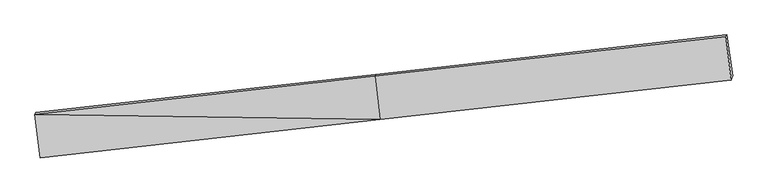
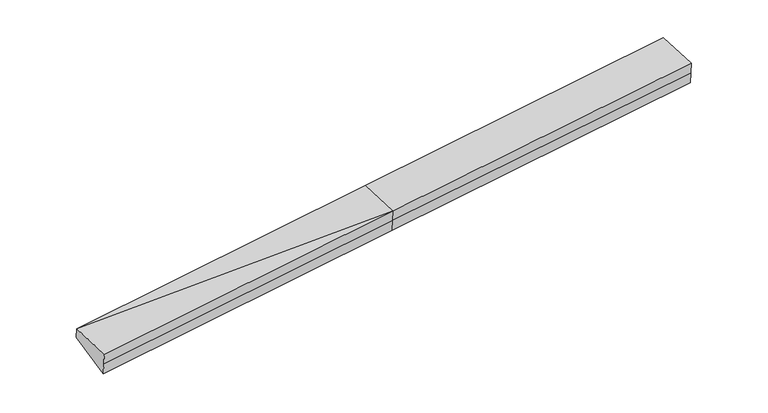
"""IFC4 building model written with IfcOpenShell, lengths in millimetres: proxy geometry."""

import ifcopenshell
import ifcopenshell.guid

model = None  # the IFC model being written
_history = None  # IfcOwnerHistory: only IFC2X3 demands one
_inside = {}  # id of a spatial element -> (the spatial element, [elements in it])
_under = {}  # id of a project, library or spatial element -> (it, [spatial elements below it])
_declared = {}  # id of a project -> (the project, [libraries it declares])
_typed = {}  # id of a type object -> (the type object, [elements of that type])
_made_of = {}  # id of a material, layer set ... -> (it, [elements and type objects made of it])


def new_model(schema):
    """Start an empty IFC model of exactly this schema.

    Asked for "IFC4X3", IfcOpenShell would pick the latest addendum, in which some entities
    have other attributes; the version numbers below select the first issue.
    IFC2X3 requires an IfcOwnerHistory on every rooted entity: one is made here for all.
    """
    global model, _history
    if schema == "IFC4X3":
        model = ifcopenshell.file(schema_version=(4, 3, 0, 0))
    else:
        model = ifcopenshell.file(schema=schema)
    _inside.clear()
    _under.clear()
    _declared.clear()
    _typed.clear()
    _made_of.clear()
    _history = None
    if model.schema == "IFC2X3":
        org = make("IfcOrganization", Name="unknown")
        user = make(
            "IfcPersonAndOrganization",
            ThePerson=make("IfcPerson", FamilyName="unknown"),
            TheOrganization=org,
        )
        app = make(
            "IfcApplication",
            ApplicationDeveloper=org,
            Version="unknown",
            ApplicationFullName="unknown",
            ApplicationIdentifier="unknown",
        )
        _history = make(
            "IfcOwnerHistory",
            OwningUser=user,
            OwningApplication=app,
            ChangeAction="ADDED",
            CreationDate=0,
        )
    return model


def make(cls, **values):
    """One entity of the class cls with the attributes given. An attribute that is None is left unset."""
    return model.create_entity(
        cls, **{name: value for name, value in values.items() if value is not None}
    )


def rooted(cls, **values):
    """An entity with a GlobalId (a new one), such as an element, a storey or a relation."""
    return make(cls, GlobalId=ifcopenshell.guid.new(), OwnerHistory=_history, **values)


def si_unit(unit_type, name, prefix=None):
    """IfcSIUnit, for example si_unit("LENGTHUNIT", "METRE", prefix="MILLI")."""
    return make("IfcSIUnit", UnitType=unit_type, Prefix=prefix, Name=name)


def assignment(units):
    """IfcUnitAssignment: the units of a project."""
    return None if units is None else make("IfcUnitAssignment", Units=units)


def point(xyz):
    """IfcCartesianPoint."""
    return None if xyz is None else make("IfcCartesianPoint", Coordinates=xyz)


def direction(xyz):
    """IfcDirection."""
    return None if xyz is None else make("IfcDirection", DirectionRatios=xyz)


def frame(location, z_axis=None, x_axis=None):
    """IfcAxis2Placement3D, a coordinate frame: its origin and axes. An axis left out is left unset."""
    return make(
        "IfcAxis2Placement3D",
        Location=point(location),
        Axis=direction(z_axis),
        RefDirection=direction(x_axis),
    )


def origin():
    """The frame at (0, 0, 0) with its axes left unset."""
    return frame((0.0, 0.0, 0.0))


def place(relative_to, where):
    """IfcLocalPlacement: puts the frame where relative to a parent placement (None: the world)."""
    return make(
        "IfcLocalPlacement", PlacementRelTo=relative_to, RelativePlacement=where
    )


def context(
    kind, dimensions, precision=None, world=None, true_north=None, identifier=None
):
    """IfcGeometricRepresentationContext, for example the 3D "Model" context."""
    return make(
        "IfcGeometricRepresentationContext",
        ContextIdentifier=identifier,
        ContextType=kind,
        CoordinateSpaceDimension=dimensions,
        Precision=precision,
        WorldCoordinateSystem=world,
        TrueNorth=true_north,
    )


def project(units=None, contexts=None):
    """IfcProject with its units and contexts."""
    return rooted(
        "IfcProject",
        Name="project",
        RepresentationContexts=contexts,
        UnitsInContext=assignment(units),
    )


def spatial(cls, under=None, at=None, **own):
    """A site, building, storey or space (cls), placed at a placement, below another one or the project."""
    s = rooted(cls, ObjectPlacement=at, **own)
    if under is not None:
        _under.setdefault(under.id(), (under, []))[1].append(s)
    return s


def faces_of(points, faces, orient=None, outer=None):
    """IfcFace entities. A face is a list of loops; a loop is a list of indices into points, from 0.

    orient and outer hold one flag for each loop. By default every Orientation is true, the
    first loop of a face is its IfcFaceOuterBound and the others are IfcFaceBound.
    """
    made = []
    for i, loops in enumerate(faces):
        bounds = []
        for j, loop in enumerate(loops):
            is_outer = j == 0 if outer is None else outer[i][j]
            bounds.append(
                make(
                    "IfcFaceOuterBound" if is_outer else "IfcFaceBound",
                    Bound=make("IfcPolyLoop", Polygon=[points[k] for k in loop]),
                    Orientation=True if orient is None else orient[i][j],
                )
            )
        made.append(make("IfcFace", Bounds=bounds))
    return made


def faceted_brep(points, faces, orient=None, outer=None, voids=None):
    """IfcFacetedBrep: a solid bounded by flat faces; with voids (closed shells), ...WithVoids."""
    shared = [point(p) for p in points]
    hull = make("IfcClosedShell", CfsFaces=faces_of(shared, faces, orient, outer))
    if voids is None:
        return make("IfcFacetedBrep", Outer=hull)
    return make(
        "IfcFacetedBrepWithVoids",
        Outer=hull,
        Voids=[
            make(cls, CfsFaces=faces_of(shared, fs, o, b)) for cls, fs, o, b in voids
        ],
    )


def shape(context_of_items, identifier, shape_type, items):
    """IfcShapeRepresentation: the items that make up one representation, for example the "Body"."""
    return make(
        "IfcShapeRepresentation",
        ContextOfItems=context_of_items,
        RepresentationIdentifier=identifier,
        RepresentationType=shape_type,
        Items=items,
    )


def source(mapping_origin, context_of_items, identifier, shape_type, items):
    """IfcRepresentationMap: a shape defined once, which mapped items show again and again."""
    return make(
        "IfcRepresentationMap",
        MappingOrigin=mapping_origin,
        MappedRepresentation=shape(context_of_items, identifier, shape_type, items),
    )


def transform(
    local_origin,
    x_axis=None,
    y_axis=None,
    z_axis=None,
    scale=None,
    scale2=None,
    scale3=None,
    uniform=True,
):
    """IfcCartesianTransformationOperator3D, or its non-uniform kind. x_axis, y_axis, z_axis: its Axis1, 2, 3."""
    if uniform:
        return make(
            "IfcCartesianTransformationOperator3D",
            Axis1=direction(x_axis),
            Axis2=direction(y_axis),
            LocalOrigin=point(local_origin),
            Scale=scale,
            Axis3=direction(z_axis),
        )
    return make(
        "IfcCartesianTransformationOperator3DnonUniform",
        Axis1=direction(x_axis),
        Axis2=direction(y_axis),
        LocalOrigin=point(local_origin),
        Scale=scale,
        Axis3=direction(z_axis),
        Scale2=scale2,
        Scale3=scale3,
    )


def mapped(mapping_source, mapping_target):
    """IfcMappedItem: shows the shape of a source again, moved by a transform."""
    return make(
        "IfcMappedItem", MappingSource=mapping_source, MappingTarget=mapping_target
    )


def made_of(thing, what):
    """Note that an element or type object is made of a material, layer set ...; save() writes the relation."""
    if what is not None:
        _made_of.setdefault(what.id(), (what, []))[1].append(thing)
    return thing


def element(
    cls,
    number,
    at=None,
    inside=None,
    cuts=None,
    type_object=None,
    material=None,
    context=None,
    identifier="Body",
    shape_type=None,
    held_by="IfcProductDefinitionShape",
    body=None,
    shapes=None,
    **own,
):
    """One element of the class cls, such as IfcWall. Its Tag is "e" and its number.

    at: its placement. inside: the storey or other place that contains it. cuts: it is an
    opening in that element (IfcRelVoidsElement). A single representation is given by context,
    identifier, shape_type and body (its items); several are given by shapes. held_by: the class
    of the entity that holds the representations. save() writes the other relations.
    """
    e = rooted(cls, Tag="e%d" % number, ObjectPlacement=at, **own)
    if body is not None:
        shapes = [shape(context, identifier, shape_type, body)]
    if shapes is not None:
        e.Representation = make(held_by, Representations=shapes)
    if inside is not None:
        _inside.setdefault(inside.id(), (inside, []))[1].append(e)
    if cuts is not None:
        rooted(
            "IfcRelVoidsElement", RelatingBuildingElement=cuts, RelatedOpeningElement=e
        )
    if type_object is not None:
        _typed.setdefault(type_object.id(), (type_object, []))[1].append(e)
    return made_of(e, material)


def aggregate(whole, parts):
    """IfcRelAggregates: a whole, such as a stair, and the parts it consists of."""
    return rooted("IfcRelAggregates", RelatingObject=whole, RelatedObjects=parts)


def save(model, path):
    """Write the relations noted so far, then the file.

    IfcRelAggregates (storeys below a building ...), IfcRelContainedInSpatialStructure (elements
    in a storey), IfcRelDefinesByType, IfcRelAssociatesMaterial and IfcRelDeclares: one each for
    every whole, place, type object, material and project.
    """
    for whole, parts in _under.values():
        aggregate(whole, parts)
    for where, things in _inside.values():
        rooted(
            "IfcRelContainedInSpatialStructure",
            RelatedElements=things,
            RelatingStructure=where,
        )
    for kind, things in _typed.values():
        rooted("IfcRelDefinesByType", RelatedObjects=things, RelatingType=kind)
    for what, things in _made_of.values():
        rooted("IfcRelAssociatesMaterial", RelatedObjects=things, RelatingMaterial=what)
    for by, libraries in _declared.values():
        rooted("IfcRelDeclares", RelatingContext=by, RelatedDefinitions=libraries)
    model.write(path)


def generic_models_c8ac3428(model_context):
    return source(origin(), model_context, "Body", "Brep", [
        faceted_brep([(-16880.1685142, -2656.0134672, 660.9759488), (-16910.0256592, -2743.7515612, 1209.8029415), (-312.4730563, -880.605084, 2405.5194008), (-282.6159114, -792.86699, 1856.6924082), (-16652.7136143, -4880.8263885, 967.0983957), (-57.5385444, -2997.9335914, 2165.0574165), (-16618.4757929, -4780.2152552, 337.7468433), (-23.4791383, -2897.8467484, 1538.9854499), (-16584.2379716, -4679.6041219, -291.6047092), (10.5802679, -2797.7599053, 912.9134833), (17124.8749153, -979.5904704, 2781.6769597), (17159.0681329, -879.1104096, 2153.1453037), (16863.8211811, 1139.8058103, 3103.5255284), (16833.9640361, 1052.0677162, 3652.3525211), (17090.6816978, -1080.0705311, 3410.2086156)], [[[0, 1, 2, 3]], [[1, 4, 5]], [[4, 6, 7, 5]], [[6, 8, 9, 7]], [[8, 0, 3, 9]], [[10, 11, 12, 13, 14]], [[0, 8, 6, 4, 1]], [[5, 2, 1]], [[7, 9, 11, 10]], [[9, 3, 12, 11]], [[3, 2, 13, 12]], [[2, 5, 14, 13]], [[5, 7, 10, 14]]]),
    ])


if __name__ == "__main__":
    model = new_model("IFC4")
    model_context = context("Model", 3, world=origin())
    ifc_project = project(units=[si_unit("LENGTHUNIT", "METRE", prefix="MILLI")], contexts=[model_context])
    site = spatial("IfcSite", under=ifc_project)
    building = spatial("IfcBuilding", under=site)
    placement = place(None, origin())
    generic_models_shape = generic_models_c8ac3428(model_context)
    element("IfcBuildingElementProxy", 1, Name="Generic Models", at=placement, inside=building, context=model_context, shape_type="MappedRepresentation", body=[
        mapped(generic_models_shape, transform((0.0, 0.0, 0.0), x_axis=(1.0, 0.0, 0.0), y_axis=(0.0, 1.0, 0.0), z_axis=(0.0, 0.0, 1.0))),
    ])
    save(model, "model.ifc")
